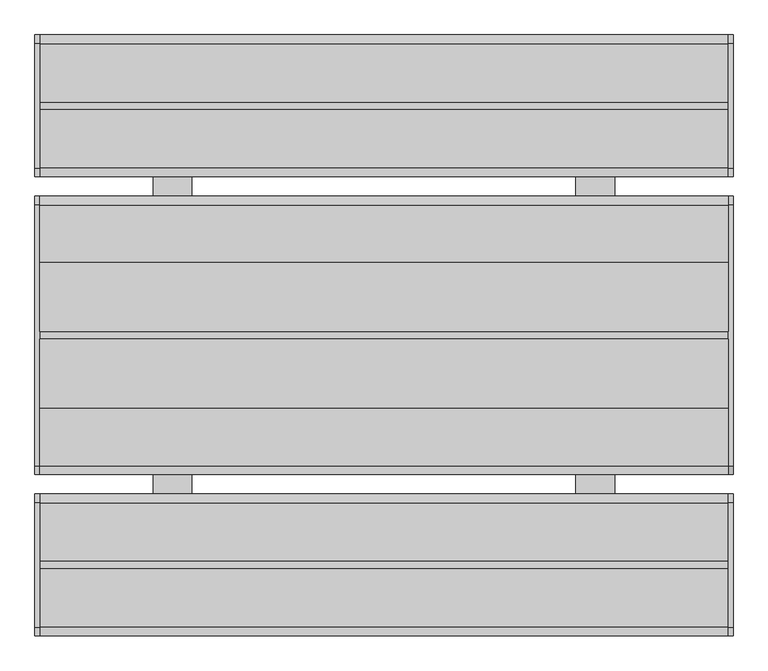
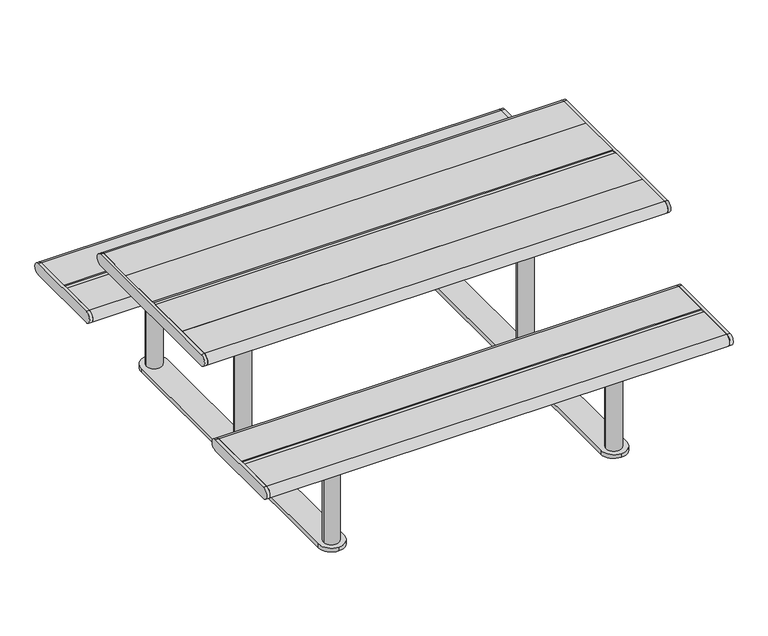
"""IFC4 building model written with IfcOpenShell, lengths in millimetres: furniture geometry."""

from ifc_helpers import new_model, si_unit, point, frame, frame_2d, origin, origin_with_axes, place, context, project, spatial, polyline, circle_curve, trimmed, segment, composite_curve, outline, extrude, source, transform, mapped, element, save


def furniture_447ed6f7(model_context):
    return source(origin(), model_context, "Body", "SweptSolid", [
        extrude(outline(composite_curve([segment(trimmed(circle_curve(frame_2d((752.5, 427.2)), 22.5), [point((752.5, 449.7))], [point((752.5, 404.7))], False, "CARTESIAN"), True, "CONTINUOUS"), segment(polyline([(752.5, 404.7), (431.5, 404.7)]), True, "CONTINUOUS"), segment(trimmed(circle_curve(frame_2d((431.5, 427.2)), 22.5), [point((431.5, 404.7))], [point((431.5, 449.7))], False, "CARTESIAN"), True, "CONTINUOUS"), segment(polyline([(431.5, 449.7), (752.5, 449.7)]), True, "CONTINUOUS")], self_intersect=False)), frame((888.0, 0.0, 0.0), z_axis=(1.0, 0.0, 0.0), x_axis=(0.0, 1.0, 0.0)), (0.0, 0.0, 1.0), 12.0),
        extrude(outline(composite_curve([segment(trimmed(circle_curve(frame_2d((752.5, 427.2)), 22.5), [point((752.5, 449.7))], [point((752.5, 404.7))], False, "CARTESIAN"), True, "CONTINUOUS"), segment(polyline([(752.5, 404.7), (431.5, 404.7)]), True, "CONTINUOUS"), segment(trimmed(circle_curve(frame_2d((431.5, 427.2)), 22.5), [point((431.5, 404.7))], [point((431.5, 449.7))], False, "CARTESIAN"), True, "CONTINUOUS"), segment(polyline([(431.5, 449.7), (752.5, 449.7)]), True, "CONTINUOUS")], self_intersect=False)), frame((-899.5, 0.0, 0.0), z_axis=(1.0, 0.0, 0.0), x_axis=(0.0, 1.0, 0.0)), (0.0, 0.0, 1.0), 12.0),
        extrude(outline(composite_curve([segment(polyline([(-752.5, 449.7), (-431.5, 449.7)]), True, "CONTINUOUS"), segment(trimmed(circle_curve(frame_2d((-431.5, 427.2)), 22.5), [point((-431.5, 449.7))], [point((-431.5, 404.7))], False, "CARTESIAN"), True, "CONTINUOUS"), segment(polyline([(-431.5, 404.7), (-752.5, 404.7)]), True, "CONTINUOUS"), segment(trimmed(circle_curve(frame_2d((-752.5, 427.2)), 22.5), [point((-752.5, 404.7))], [point((-752.5, 449.7))], False, "CARTESIAN"), True, "CONTINUOUS")], self_intersect=False)), frame((888.0, 0.0, 0.0), z_axis=(1.0, 0.0, 0.0), x_axis=(0.0, 1.0, 0.0)), (0.0, 0.0, 1.0), 12.0),
        extrude(outline(composite_curve([segment(polyline([(-752.5, 449.7), (-431.5, 449.7)]), True, "CONTINUOUS"), segment(trimmed(circle_curve(frame_2d((-431.5, 427.2)), 22.5), [point((-431.5, 449.7))], [point((-431.5, 404.7))], False, "CARTESIAN"), True, "CONTINUOUS"), segment(polyline([(-431.5, 404.7), (-752.5, 404.7)]), True, "CONTINUOUS"), segment(trimmed(circle_curve(frame_2d((-752.5, 427.2)), 22.5), [point((-752.5, 404.7))], [point((-752.5, 449.7))], False, "CARTESIAN"), True, "CONTINUOUS")], self_intersect=False)), frame((-899.5, 0.0, 0.0), z_axis=(1.0, 0.0, 0.0), x_axis=(0.0, 1.0, 0.0)), (0.0, 0.0, 1.0), 12.0),
        extrude(outline(composite_curve([segment(trimmed(circle_curve(frame_2d((590.0, 120.0)), 5.0), [point((590.0, 125.0))], [point((595.0, 120.0))], False, "CARTESIAN"), True, "CONTINUOUS"), segment(polyline([(595.0, 120.0), (595.0, -120.0)]), True, "CONTINUOUS"), segment(trimmed(circle_curve(frame_2d((590.0, -120.0)), 5.0), [point((595.0, -120.0))], [point((590.0, -125.0))], False, "CARTESIAN"), True, "CONTINUOUS"), segment(polyline([(590.0, -125.0), (500.0, -125.0)]), True, "CONTINUOUS"), segment(trimmed(circle_curve(frame_2d((500.0, -120.0)), 5.0), [point((500.0, -125.0))], [point((495.0, -120.0))], False, "CARTESIAN"), True, "CONTINUOUS"), segment(polyline([(495.0, -120.0), (495.0, 120.0)]), True, "CONTINUOUS"), segment(trimmed(circle_curve(frame_2d((500.0, 120.0)), 5.0), [point((495.0, 120.0))], [point((500.0, 125.0))], False, "CARTESIAN"), True, "CONTINUOUS"), segment(polyline([(500.0, 125.0), (590.0, 125.0)]), True, "CONTINUOUS")], self_intersect=False)), frame((0.0, 0.0, 679.0), z_axis=(0.0, 0.0, 1.0), x_axis=(1.0, 0.0, 0.0)), (0.0, 0.0, 1.0), 7.85),
        extrude(outline(composite_curve([segment(trimmed(circle_curve(frame_2d((590.0, 295.0)), 5.0), [point((590.0, 300.0))], [point((595.0, 295.0))], False, "CARTESIAN"), True, "CONTINUOUS"), segment(polyline([(595.0, 295.0), (595.0, -295.0)]), True, "CONTINUOUS"), segment(trimmed(circle_curve(frame_2d((590.0, -295.0)), 5.0), [point((595.0, -295.0))], [point((590.0, -300.0))], False, "CARTESIAN"), True, "CONTINUOUS"), segment(polyline([(590.0, -300.0), (500.0, -300.0)]), True, "CONTINUOUS"), segment(trimmed(circle_curve(frame_2d((500.0, -295.0)), 5.0), [point((500.0, -300.0))], [point((495.0, -295.0))], False, "CARTESIAN"), True, "CONTINUOUS"), segment(polyline([(495.0, -295.0), (495.0, 295.0)]), True, "CONTINUOUS"), segment(trimmed(circle_curve(frame_2d((500.0, 295.0)), 5.0), [point((495.0, 295.0))], [point((500.0, 300.0))], False, "CARTESIAN"), True, "CONTINUOUS"), segment(polyline([(500.0, 300.0), (590.0, 300.0)]), True, "CONTINUOUS")], self_intersect=False)), frame((0.0, 0.0, 686.85), z_axis=(0.0, 0.0, 1.0), x_axis=(1.0, 0.0, 0.0)), (0.0, 0.0, 1.0), 7.85),
        extrude(outline(composite_curve([segment(polyline([(590.0, -717.0), (500.0, -717.0)]), True, "CONTINUOUS"), segment(trimmed(circle_curve(frame_2d((500.0, -712.0)), 5.0), [point((500.0, -717.0))], [point((495.0, -712.0))], False, "CARTESIAN"), True, "CONTINUOUS"), segment(polyline([(495.0, -712.0), (495.0, -472.0)]), True, "CONTINUOUS"), segment(trimmed(circle_curve(frame_2d((500.0, -472.0)), 5.0), [point((495.0, -472.0))], [point((500.0, -467.0))], False, "CARTESIAN"), True, "CONTINUOUS"), segment(polyline([(500.0, -467.0), (590.0, -467.0)]), True, "CONTINUOUS"), segment(trimmed(circle_curve(frame_2d((590.0, -472.0)), 5.0), [point((590.0, -467.0))], [point((595.0, -472.0))], False, "CARTESIAN"), True, "CONTINUOUS"), segment(polyline([(595.0, -472.0), (595.0, -712.0)]), True, "CONTINUOUS"), segment(trimmed(circle_curve(frame_2d((590.0, -712.0)), 5.0), [point((595.0, -712.0))], [point((590.0, -717.0))], False, "CARTESIAN"), True, "CONTINUOUS")], self_intersect=False)), frame((0.0, 0.0, 389.0), z_axis=(0.0, 0.0, 1.0), x_axis=(1.0, 0.0, 0.0)), (0.0, 0.0, 1.0), 15.7),
        extrude(outline(composite_curve([segment(trimmed(circle_curve(frame_2d((590.0, 712.0)), 5.0), [point((590.0, 717.0))], [point((595.0, 712.0))], False, "CARTESIAN"), True, "CONTINUOUS"), segment(polyline([(595.0, 712.0), (595.0, 472.0)]), True, "CONTINUOUS"), segment(trimmed(circle_curve(frame_2d((590.0, 472.0)), 5.0), [point((595.0, 472.0))], [point((590.0, 467.0))], False, "CARTESIAN"), True, "CONTINUOUS"), segment(polyline([(590.0, 467.0), (500.0, 467.0)]), True, "CONTINUOUS"), segment(trimmed(circle_curve(frame_2d((500.0, 472.0)), 5.0), [point((500.0, 467.0))], [point((495.0, 472.0))], False, "CARTESIAN"), True, "CONTINUOUS"), segment(polyline([(495.0, 472.0), (495.0, 712.0)]), True, "CONTINUOUS"), segment(trimmed(circle_curve(frame_2d((500.0, 712.0)), 5.0), [point((495.0, 712.0))], [point((500.0, 717.0))], False, "CARTESIAN"), True, "CONTINUOUS"), segment(polyline([(500.0, 717.0), (590.0, 717.0)]), True, "CONTINUOUS")], self_intersect=False)), frame((0.0, 0.0, 389.0), z_axis=(0.0, 0.0, 1.0), x_axis=(1.0, 0.0, 0.0)), (0.0, 0.0, 1.0), 15.7),
        extrude(outline(composite_curve([segment(trimmed(circle_curve(frame_2d((545.0, 0.0)), 30.0), [point((575.0, 0.0))], [point((515.0, 0.0))], False, "CARTESIAN"), True, "CONTINUOUS"), segment(trimmed(circle_curve(frame_2d((545.0, 0.0)), 30.0), [point((515.0, 0.0))], [point((575.0, 0.0))], False, "CARTESIAN"), True, "CONTINUOUS")], self_intersect=False)), frame((0.0, 0.0, 15.0), z_axis=(0.0, 0.0, 1.0), x_axis=(1.0, 0.0, 0.0)), (0.0, 0.0, 1.0), 664.0),
        extrude(outline(composite_curve([segment(trimmed(circle_curve(frame_2d((545.0, -592.0)), 30.0), [point((575.0, -592.0))], [point((515.0, -592.0))], False, "CARTESIAN"), True, "CONTINUOUS"), segment(trimmed(circle_curve(frame_2d((545.0, -592.0)), 30.0), [point((515.0, -592.0))], [point((575.0, -592.0))], False, "CARTESIAN"), True, "CONTINUOUS")], self_intersect=False)), frame((0.0, 0.0, 15.0), z_axis=(0.0, 0.0, 1.0), x_axis=(1.0, 0.0, 0.0)), (0.0, 0.0, 1.0), 374.0),
        extrude(outline(composite_curve([segment(trimmed(circle_curve(frame_2d((545.0, 592.0)), 30.0), [point((575.0, 592.0))], [point((515.0, 592.0))], False, "CARTESIAN"), True, "CONTINUOUS"), segment(trimmed(circle_curve(frame_2d((545.0, 592.0)), 30.0), [point((515.0, 592.0))], [point((575.0, 592.0))], False, "CARTESIAN"), True, "CONTINUOUS")], self_intersect=False)), frame((0.0, 0.0, 15.0), z_axis=(0.0, 0.0, 1.0), x_axis=(1.0, 0.0, 0.0)), (0.0, 0.0, 1.0), 374.0),
        extrude(outline(composite_curve([segment(polyline([(-590.0, 125.0), (-500.0, 125.0)]), True, "CONTINUOUS"), segment(trimmed(circle_curve(frame_2d((-500.0, 120.0)), 5.0), [point((-500.0, 125.0))], [point((-495.0, 120.0))], False, "CARTESIAN"), True, "CONTINUOUS"), segment(polyline([(-495.0, 120.0), (-495.0, -120.0)]), True, "CONTINUOUS"), segment(trimmed(circle_curve(frame_2d((-500.0, -120.0)), 5.0), [point((-495.0, -120.0))], [point((-500.0, -125.0))], False, "CARTESIAN"), True, "CONTINUOUS"), segment(polyline([(-500.0, -125.0), (-590.0, -125.0)]), True, "CONTINUOUS"), segment(trimmed(circle_curve(frame_2d((-590.0, -120.0)), 5.0), [point((-590.0, -125.0))], [point((-595.0, -120.0))], False, "CARTESIAN"), True, "CONTINUOUS"), segment(polyline([(-595.0, -120.0), (-595.0, 120.0)]), True, "CONTINUOUS"), segment(trimmed(circle_curve(frame_2d((-590.0, 120.0)), 5.0), [point((-595.0, 120.0))], [point((-590.0, 125.0))], False, "CARTESIAN"), True, "CONTINUOUS")], self_intersect=False)), frame((0.0, 0.0, 679.0), z_axis=(0.0, 0.0, 1.0), x_axis=(1.0, 0.0, 0.0)), (0.0, 0.0, 1.0), 7.85),
        extrude(outline(composite_curve([segment(polyline([(-590.0, 300.0), (-500.0, 300.0)]), True, "CONTINUOUS"), segment(trimmed(circle_curve(frame_2d((-500.0, 295.0)), 5.0), [point((-500.0, 300.0))], [point((-495.0, 295.0))], False, "CARTESIAN"), True, "CONTINUOUS"), segment(polyline([(-495.0, 295.0), (-495.0, -295.0)]), True, "CONTINUOUS"), segment(trimmed(circle_curve(frame_2d((-500.0, -295.0)), 5.0), [point((-495.0, -295.0))], [point((-500.0, -300.0))], False, "CARTESIAN"), True, "CONTINUOUS"), segment(polyline([(-500.0, -300.0), (-590.0, -300.0)]), True, "CONTINUOUS"), segment(trimmed(circle_curve(frame_2d((-590.0, -295.0)), 5.0), [point((-590.0, -300.0))], [point((-595.0, -295.0))], False, "CARTESIAN"), True, "CONTINUOUS"), segment(polyline([(-595.0, -295.0), (-595.0, 295.0)]), True, "CONTINUOUS"), segment(trimmed(circle_curve(frame_2d((-590.0, 295.0)), 5.0), [point((-595.0, 295.0))], [point((-590.0, 300.0))], False, "CARTESIAN"), True, "CONTINUOUS")], self_intersect=False)), frame((0.0, 0.0, 686.85), z_axis=(0.0, 0.0, 1.0), x_axis=(1.0, 0.0, 0.0)), (0.0, 0.0, 1.0), 7.85),
        extrude(outline(composite_curve([segment(trimmed(circle_curve(frame_2d((-590.0, -712.0)), 5.0), [point((-590.0, -717.0))], [point((-595.0, -712.0))], False, "CARTESIAN"), True, "CONTINUOUS"), segment(polyline([(-595.0, -712.0), (-595.0, -472.0)]), True, "CONTINUOUS"), segment(trimmed(circle_curve(frame_2d((-590.0, -472.0)), 5.0), [point((-595.0, -472.0))], [point((-590.0, -467.0))], False, "CARTESIAN"), True, "CONTINUOUS"), segment(polyline([(-590.0, -467.0), (-500.0, -467.0)]), True, "CONTINUOUS"), segment(trimmed(circle_curve(frame_2d((-500.0, -472.0)), 5.0), [point((-500.0, -467.0))], [point((-495.0, -472.0))], False, "CARTESIAN"), True, "CONTINUOUS"), segment(polyline([(-495.0, -472.0), (-495.0, -712.0)]), True, "CONTINUOUS"), segment(trimmed(circle_curve(frame_2d((-500.0, -712.0)), 5.0), [point((-495.0, -712.0))], [point((-500.0, -717.0))], False, "CARTESIAN"), True, "CONTINUOUS"), segment(polyline([(-500.0, -717.0), (-590.0, -717.0)]), True, "CONTINUOUS")], self_intersect=False)), frame((0.0, 0.0, 389.0), z_axis=(0.0, 0.0, 1.0), x_axis=(1.0, 0.0, 0.0)), (0.0, 0.0, 1.0), 15.7),
        extrude(outline(composite_curve([segment(polyline([(-590.0, 717.0), (-500.0, 717.0)]), True, "CONTINUOUS"), segment(trimmed(circle_curve(frame_2d((-500.0, 712.0)), 5.0), [point((-500.0, 717.0))], [point((-495.0, 712.0))], False, "CARTESIAN"), True, "CONTINUOUS"), segment(polyline([(-495.0, 712.0), (-495.0, 472.0)]), True, "CONTINUOUS"), segment(trimmed(circle_curve(frame_2d((-500.0, 472.0)), 5.0), [point((-495.0, 472.0))], [point((-500.0, 467.0))], False, "CARTESIAN"), True, "CONTINUOUS"), segment(polyline([(-500.0, 467.0), (-590.0, 467.0)]), True, "CONTINUOUS"), segment(trimmed(circle_curve(frame_2d((-590.0, 472.0)), 5.0), [point((-590.0, 467.0))], [point((-595.0, 472.0))], False, "CARTESIAN"), True, "CONTINUOUS"), segment(polyline([(-595.0, 472.0), (-595.0, 712.0)]), True, "CONTINUOUS"), segment(trimmed(circle_curve(frame_2d((-590.0, 712.0)), 5.0), [point((-595.0, 712.0))], [point((-590.0, 717.0))], False, "CARTESIAN"), True, "CONTINUOUS")], self_intersect=False)), frame((0.0, 0.0, 389.0), z_axis=(0.0, 0.0, 1.0), x_axis=(1.0, 0.0, 0.0)), (0.0, 0.0, 1.0), 15.7),
        extrude(outline(composite_curve([segment(trimmed(circle_curve(frame_2d((-545.0, 0.0)), 30.0), [point((-575.0, 0.0))], [point((-515.0, 0.0))], False, "CARTESIAN"), True, "CONTINUOUS"), segment(trimmed(circle_curve(frame_2d((-545.0, 0.0)), 30.0), [point((-515.0, 0.0))], [point((-575.0, 0.0))], False, "CARTESIAN"), True, "CONTINUOUS")], self_intersect=False)), frame((0.0, 0.0, 15.0), z_axis=(0.0, 0.0, 1.0), x_axis=(1.0, 0.0, 0.0)), (0.0, 0.0, 1.0), 664.0),
        extrude(outline(composite_curve([segment(trimmed(circle_curve(frame_2d((-545.0, -592.0)), 30.0), [point((-575.0, -592.0))], [point((-515.0, -592.0))], False, "CARTESIAN"), True, "CONTINUOUS"), segment(trimmed(circle_curve(frame_2d((-545.0, -592.0)), 30.0), [point((-515.0, -592.0))], [point((-575.0, -592.0))], False, "CARTESIAN"), True, "CONTINUOUS")], self_intersect=False)), frame((0.0, 0.0, 15.0), z_axis=(0.0, 0.0, 1.0), x_axis=(1.0, 0.0, 0.0)), (0.0, 0.0, 1.0), 374.0),
        extrude(outline(composite_curve([segment(trimmed(circle_curve(frame_2d((-545.0, 592.0)), 30.0), [point((-575.0, 592.0))], [point((-515.0, 592.0))], False, "CARTESIAN"), True, "CONTINUOUS"), segment(trimmed(circle_curve(frame_2d((-545.0, 592.0)), 30.0), [point((-515.0, 592.0))], [point((-575.0, 592.0))], False, "CARTESIAN"), True, "CONTINUOUS")], self_intersect=False)), frame((0.0, 0.0, 15.0), z_axis=(0.0, 0.0, 1.0), x_axis=(1.0, 0.0, 0.0)), (0.0, 0.0, 1.0), 374.0),
        extrude(outline(composite_curve([segment(polyline([(-595.0, -592.0), (-595.0, 592.0)]), True, "CONTINUOUS"), segment(trimmed(circle_curve(frame_2d((-545.0, 592.0)), 50.0), [point((-595.0, 592.0))], [point((-495.0, 592.0))], False, "CARTESIAN"), True, "CONTINUOUS"), segment(polyline([(-495.0, 592.0), (-495.0, -592.0)]), True, "CONTINUOUS"), segment(trimmed(circle_curve(frame_2d((-545.0, -592.0)), 50.0), [point((-495.0, -592.0))], [point((-545.0, -642.0))], False, "CARTESIAN"), True, "CONTINUOUS"), segment(trimmed(circle_curve(frame_2d((-545.0, -592.0)), 50.0), [point((-545.0, -642.0))], [point((-595.0, -592.0))], False, "CARTESIAN"), True, "CONTINUOUS")], self_intersect=False)), origin_with_axes(), (0.0, 0.0, 1.0), 15.0),
        extrude(outline(composite_curve([segment(trimmed(circle_curve(frame_2d((545.0, -592.0)), 50.0), [point((595.0, -592.0))], [point((545.0, -642.0))], False, "CARTESIAN"), True, "CONTINUOUS"), segment(trimmed(circle_curve(frame_2d((545.0, -592.0)), 50.0), [point((545.0, -642.0))], [point((495.0, -592.0))], False, "CARTESIAN"), True, "CONTINUOUS"), segment(polyline([(495.0, -592.0), (495.0, 592.0)]), True, "CONTINUOUS"), segment(trimmed(circle_curve(frame_2d((545.0, 592.0)), 50.0), [point((495.0, 592.0))], [point((595.0, 592.0))], False, "CARTESIAN"), True, "CONTINUOUS"), segment(polyline([(595.0, 592.0), (595.0, -592.0)]), True, "CONTINUOUS")], self_intersect=False)), origin_with_axes(), (0.0, 0.0, 1.0), 15.0),
        extrude(outline(composite_curve([segment(polyline([(602.0, 449.7), (752.4998424, 449.7)]), True, "CONTINUOUS"), segment(trimmed(circle_curve(frame_2d((752.4998424, 427.2)), 22.5), [point((752.4998424, 449.7))], [point((752.4998424, 404.7))], False, "CARTESIAN"), True, "CONTINUOUS"), segment(polyline([(752.4998424, 404.7), (602.0, 404.7), (602.0, 449.7)]), True, "CONTINUOUS")], self_intersect=False)), frame((-887.5, 0.0, 0.0), z_axis=(1.0, 0.0, 0.0), x_axis=(0.0, 1.0, 0.0)), (0.0, 0.0, 1.0), 1775.5),
        extrude(outline(composite_curve([segment(polyline([(-582.0, 449.7), (-431.5001576, 449.7)]), True, "CONTINUOUS"), segment(trimmed(circle_curve(frame_2d((-431.5001576, 427.2)), 22.5), [point((-431.5001576, 449.7))], [point((-431.5001576, 404.7))], False, "CARTESIAN"), True, "CONTINUOUS"), segment(polyline([(-431.5001576, 404.7), (-582.0, 404.7), (-582.0, 449.7)]), True, "CONTINUOUS")], self_intersect=False)), frame((-887.5, 0.0, 0.0), z_axis=(1.0, 0.0, 0.0), x_axis=(0.0, 1.0, 0.0)), (0.0, 0.0, 1.0), 1775.5),
        extrude(outline(composite_curve([segment(polyline([(-602.0, 449.7), (-602.0, 404.7), (-752.4998424, 404.7)]), True, "CONTINUOUS"), segment(trimmed(circle_curve(frame_2d((-752.4998424, 427.2)), 22.5), [point((-752.4998424, 404.7))], [point((-752.4998424, 449.7))], False, "CARTESIAN"), True, "CONTINUOUS"), segment(polyline([(-752.4998424, 449.7), (-602.0, 449.7)]), True, "CONTINUOUS")], self_intersect=False)), frame((-887.5, 0.0, 0.0), z_axis=(1.0, 0.0, 0.0), x_axis=(0.0, 1.0, 0.0)), (0.0, 0.0, 1.0), 1775.5),
        extrude(outline(polyline([(888.0, -582.0), (888.0, -602.0), (-887.5, -602.0), (-887.5, -582.0), (888.0, -582.0)])), frame((0.0, 0.0, 404.7), z_axis=(0.0, 0.0, 1.0), x_axis=(1.0, 0.0, 0.0)), (0.0, 0.0, 1.0), 40.0),
        extrude(outline(composite_curve([segment(polyline([(582.0, 449.7), (582.0, 404.7), (431.5001576, 404.7)]), True, "CONTINUOUS"), segment(trimmed(circle_curve(frame_2d((431.5001576, 427.2)), 22.5), [point((431.5001576, 404.7))], [point((431.5001576, 449.7))], False, "CARTESIAN"), True, "CONTINUOUS"), segment(polyline([(431.5001576, 449.7), (582.0, 449.7)]), True, "CONTINUOUS")], self_intersect=False)), frame((-887.5, 0.0, 0.0), z_axis=(1.0, 0.0, 0.0), x_axis=(0.0, 1.0, 0.0)), (0.0, 0.0, 1.0), 1775.5),
        extrude(outline(polyline([(888.0, 602.0), (888.0, 582.0), (-887.5, 582.0), (-887.5, 602.0), (888.0, 602.0)])), frame((0.0, 0.0, 404.7), z_axis=(0.0, 0.0, 1.0), x_axis=(1.0, 0.0, 0.0)), (0.0, 0.0, 1.0), 40.0),
        extrude(outline(polyline([(888.0, -10.0), (888.0, -187.75), (-887.5, -187.75), (-887.5, -10.0), (888.0, -10.0)])), frame((0.0, 0.0, 694.7), z_axis=(0.0, 0.0, 1.0), x_axis=(1.0, 0.0, 0.0)), (0.0, 0.0, 1.0), 45.0),
        extrude(outline(polyline([(888.0, 187.75), (888.0, 10.0), (-887.5, 10.0), (-887.5, 187.75), (888.0, 187.75)])), frame((0.0, 0.0, 694.7), z_axis=(0.0, 0.0, 1.0), x_axis=(1.0, 0.0, 0.0)), (0.0, 0.0, 1.0), 45.0),
        extrude(outline(composite_curve([segment(polyline([(187.75, 739.7), (336.4998635, 739.7)]), True, "CONTINUOUS"), segment(trimmed(circle_curve(frame_2d((336.4998635, 717.2)), 22.5), [point((336.4998635, 739.7))], [point((336.4998635, 694.7))], False, "CARTESIAN"), True, "CONTINUOUS"), segment(polyline([(336.4998635, 694.7), (187.75, 694.7), (187.75, 739.7)]), True, "CONTINUOUS")], self_intersect=False)), frame((-887.5, 0.0, 0.0), z_axis=(1.0, 0.0, 0.0), x_axis=(0.0, 1.0, 0.0)), (0.0, 0.0, 1.0), 1775.5),
        extrude(outline(composite_curve([segment(polyline([(-187.75, 739.7), (-187.75, 694.7), (-336.4998635, 694.7)]), True, "CONTINUOUS"), segment(trimmed(circle_curve(frame_2d((-336.4998635, 717.2)), 22.5), [point((-336.4998635, 694.7))], [point((-336.4998635, 739.7))], False, "CARTESIAN"), True, "CONTINUOUS"), segment(polyline([(-336.4998635, 739.7), (-187.75, 739.7)]), True, "CONTINUOUS")], self_intersect=False)), frame((-887.5, 0.0, 0.0), z_axis=(1.0, 0.0, 0.0), x_axis=(0.0, 1.0, 0.0)), (0.0, 0.0, 1.0), 1775.5),
        extrude(outline(polyline([(888.0, 10.0), (888.0, -10.0), (-887.5, -10.0), (-887.5, 10.0), (888.0, 10.0)])), frame((0.0, 0.0, 694.7), z_axis=(0.0, 0.0, 1.0), x_axis=(1.0, 0.0, 0.0)), (0.0, 0.0, 1.0), 40.0),
        extrude(outline(composite_curve([segment(trimmed(circle_curve(frame_2d((336.5, 717.2)), 22.5), [point((336.5, 739.7))], [point((336.5, 694.7))], False, "CARTESIAN"), True, "CONTINUOUS"), segment(polyline([(336.5, 694.7), (-336.5, 694.7)]), True, "CONTINUOUS"), segment(trimmed(circle_curve(frame_2d((-336.5, 717.2)), 22.5), [point((-336.5, 694.7))], [point((-336.5, 739.7))], False, "CARTESIAN"), True, "CONTINUOUS"), segment(polyline([(-336.5, 739.7), (336.5, 739.7)]), True, "CONTINUOUS")], self_intersect=False)), frame((888.0, 0.0, 0.0), z_axis=(1.0, 0.0, 0.0), x_axis=(0.0, 1.0, 0.0)), (0.0, 0.0, 1.0), 12.0),
        extrude(outline(composite_curve([segment(trimmed(circle_curve(frame_2d((336.5, 717.2)), 22.5), [point((336.5, 739.7))], [point((336.5, 694.7))], False, "CARTESIAN"), True, "CONTINUOUS"), segment(polyline([(336.5, 694.7), (-336.5, 694.7)]), True, "CONTINUOUS"), segment(trimmed(circle_curve(frame_2d((-336.5, 717.2)), 22.5), [point((-336.5, 694.7))], [point((-336.5, 739.7))], False, "CARTESIAN"), True, "CONTINUOUS"), segment(polyline([(-336.5, 739.7), (336.5, 739.7)]), True, "CONTINUOUS")], self_intersect=False)), frame((-899.5, 0.0, 0.0), z_axis=(1.0, 0.0, 0.0), x_axis=(0.0, 1.0, 0.0)), (0.0, 0.0, 1.0), 12.0),
    ])


if __name__ == "__main__":
    model = new_model("IFC4")
    model_context = context("Model", 3, world=origin())
    ifc_project = project(units=[si_unit("LENGTHUNIT", "METRE", prefix="MILLI")], contexts=[model_context])
    site = spatial("IfcSite", under=ifc_project)
    building = spatial("IfcBuilding", under=site)
    placement = place(None, origin())
    furniture_shape = furniture_447ed6f7(model_context)
    element("IfcFurniture", 1, at=placement, inside=building, context=model_context, shape_type="MappedRepresentation", body=[
        mapped(furniture_shape, transform((0.0, 0.0, 0.0), x_axis=(1.0, 0.0, 0.0), y_axis=(0.0, 1.0, 0.0), z_axis=(0.0, 0.0, 1.0))),
    ])
    save(model, "model.ifc")
